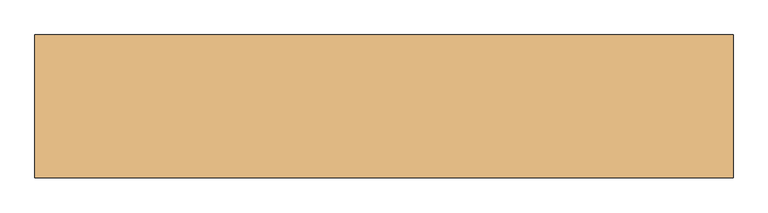
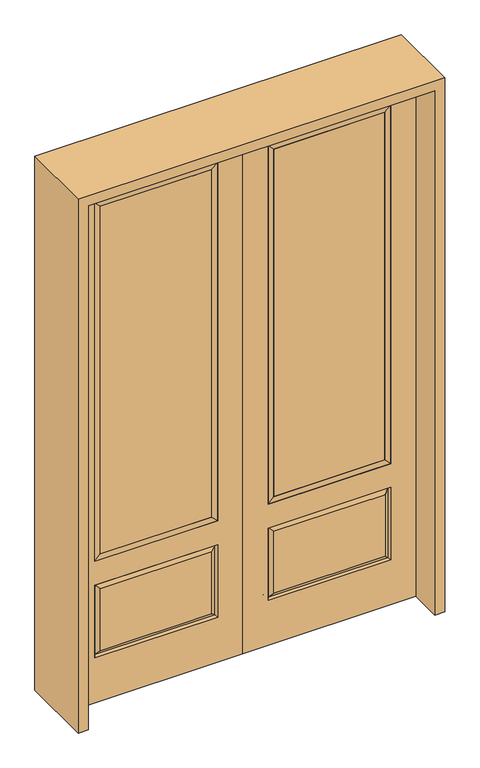
"""IFC4 building model written with IfcOpenShell, lengths in millimetres: door geometry."""

from ifc_helpers import new_model, si_unit, frame, origin, place, context, project, spatial, polyline, outline, extrude, faceted_brep, source, transform, mapped, element, save


def door_3a4ae3f8(model_context):
    return source(origin(), model_context, "Body", "SolidModel", [
        extrude(outline(polyline([(136.525, -20.32), (136.525, 5.08), (625.475, 5.08), (625.475, -20.32), (136.525, -20.32)])), frame((0.0, 0.0, 682.498), z_axis=(0.0, 0.0, 1.0), x_axis=(1.0, 0.0, 0.0)), (0.0, 0.0, 1.0), 1616.202),
        faceted_brep([(643.7661499, -12.7912373, 216.6588501), (626.26875, -22.225, 234.15625), (135.73125, -22.225, 234.15625), (118.2338501, -12.7912373, 216.6588501), (111.125, -22.225, 209.55), (650.875, -22.225, 209.55), (650.875, -22.225, 546.1), (643.7661499, -12.7912373, 538.9911499), (0.0, -22.225, 2438.4), (0.0, -22.225, 0.0), (762.0, -22.225, 0.0), (762.0, -22.225, 2438.4), (111.125, -22.225, 546.1), (111.125, -22.225, 2324.1), (650.875, -22.225, 2324.1), (650.875, -22.225, 657.098), (111.125, -22.225, 657.098), (626.26875, -22.225, 521.49375), (135.73125, -22.225, 521.49375), (118.2338501, -12.7912373, 538.9911499), (762.0, 22.225, 0.0), (762.0, 22.225, 2438.4), (0.0, 22.225, 0.0), (0.0, 22.225, 2438.4), (111.125, 22.225, 657.098), (111.125, 22.225, 2324.1), (650.875, 22.225, 657.098), (650.875, 22.225, 2324.1), (135.73125, 22.225, 234.15625), (135.73125, 22.225, 521.49375), (626.26875, 22.225, 521.49375), (626.26875, 22.225, 234.15625), (650.875, 22.225, 209.55), (650.875, 22.225, 546.1), (111.125, 22.225, 546.1), (111.125, 22.225, 209.55), (118.2338501, 12.7912373, 216.6588501), (643.7661499, 12.7912373, 216.6588501), (118.2338501, 12.7912373, 538.9911499), (643.7661499, 12.7912373, 538.9911499)], [[[0, 1, 2, 3]], [[3, 4, 5, 0]], [[5, 6, 7, 0]], [[8, 9, 10, 11], [4, 12, 6, 5], [13, 14, 15, 16]], [[1, 17, 18, 2]], [[3, 19, 12, 4]], [[2, 18, 19, 3]], [[0, 7, 17, 1]], [[6, 12, 19, 7]], [[7, 19, 18, 17]], [[10, 20, 21, 11]], [[9, 22, 20, 10]], [[8, 23, 22, 9]], [[16, 24, 25, 13]], [[15, 26, 24, 16]], [[14, 27, 26, 15]], [[28, 29, 30, 31]], [[23, 21, 20, 22], [25, 24, 26, 27], [32, 33, 34, 35]], [[32, 35, 36, 37]], [[35, 34, 38, 36]], [[39, 38, 34, 33]], [[37, 39, 33, 32]], [[36, 28, 31, 37]], [[31, 30, 39, 37]], [[30, 29, 38, 39]], [[36, 38, 29, 28]], [[11, 21, 23, 8]], [[13, 25, 27, 14]]]),
        faceted_brep([(650.875, -22.225, 2324.1), (650.875, -22.225, 657.098), (650.875, 22.225, 657.098), (650.875, 22.225, 2324.1), (111.125, -22.225, 657.098), (111.125, 22.225, 657.098), (136.525, 5.08, 682.498), (625.475, 5.08, 682.498), (111.125, -22.225, 2324.1), (111.125, 22.225, 2324.1), (625.475, -20.32, 682.498), (136.525, -20.32, 682.498), (625.475, -20.32, 2298.7), (136.525, -20.32, 2298.7), (625.475, 5.08, 2298.7), (136.525, 5.08, 2298.7)], [[[0, 1, 2, 3]], [[1, 4, 5, 2]], [[2, 5, 6, 7]], [[4, 8, 9, 5]], [[10, 11, 4, 1]], [[12, 10, 1, 0]], [[11, 13, 8, 4]], [[7, 6, 11, 10]], [[14, 7, 10, 12]], [[6, 15, 13, 11]], [[3, 2, 7, 14]], [[5, 9, 15, 6]], [[8, 0, 3, 9]], [[13, 12, 0, 8]], [[15, 14, 12, 13]], [[9, 3, 14, 15]]]),
        extrude(outline(polyline([(-136.525, -20.32), (-625.475, -20.32), (-625.475, 5.08), (-136.525, 5.08), (-136.525, -20.32)])), frame((0.0, 0.0, 682.498), z_axis=(0.0, 0.0, 1.0), x_axis=(1.0, 0.0, 0.0)), (0.0, 0.0, 1.0), 1616.202),
        faceted_brep([(-643.7661499, -12.7912373, 216.6588501), (-118.2338501, -12.7912373, 216.6588501), (-135.73125, -22.225, 234.15625), (-626.26875, -22.225, 234.15625), (-650.875, -22.225, 209.55), (-111.125, -22.225, 209.55), (-643.7661499, -12.7912373, 538.9911499), (-650.875, -22.225, 546.1), (-135.73125, -22.225, 521.49375), (-626.26875, -22.225, 521.49375), (0.0, -22.225, 2438.4), (-762.0, -22.225, 2438.4), (-762.0, -22.225, 0.0), (0.0, -22.225, 0.0), (-111.125, -22.225, 546.1), (-111.125, -22.225, 2324.1), (-111.125, -22.225, 657.098), (-650.875, -22.225, 657.098), (-650.875, -22.225, 2324.1), (-118.2338501, -12.7912373, 538.9911499), (-762.0, 22.225, 2438.4), (-762.0, 22.225, 0.0), (0.0, 22.225, 0.0), (0.0, 22.225, 2438.4), (-111.125, 22.225, 2324.1), (-111.125, 22.225, 657.098), (-650.875, 22.225, 657.098), (-650.875, 22.225, 2324.1), (-650.875, 22.225, 209.55), (-111.125, 22.225, 209.55), (-111.125, 22.225, 546.1), (-650.875, 22.225, 546.1), (-135.73125, 22.225, 234.15625), (-626.26875, 22.225, 234.15625), (-626.26875, 22.225, 521.49375), (-135.73125, 22.225, 521.49375), (-643.7661499, 12.7912373, 216.6588501), (-118.2338501, 12.7912373, 216.6588501), (-118.2338501, 12.7912373, 538.9911499), (-643.7661499, 12.7912373, 538.9911499)], [[[0, 1, 2, 3]], [[1, 0, 4, 5]], [[4, 0, 6, 7]], [[3, 2, 8, 9]], [[10, 11, 12, 13], [5, 4, 7, 14], [15, 16, 17, 18]], [[1, 5, 14, 19]], [[2, 1, 19, 8]], [[0, 3, 9, 6]], [[7, 6, 19, 14]], [[6, 9, 8, 19]], [[12, 11, 20, 21]], [[13, 12, 21, 22]], [[10, 13, 22, 23]], [[16, 15, 24, 25]], [[17, 16, 25, 26]], [[18, 17, 26, 27]], [[23, 22, 21, 20], [28, 29, 30, 31], [24, 27, 26, 25]], [[32, 33, 34, 35]], [[28, 36, 37, 29]], [[29, 37, 38, 30]], [[39, 31, 30, 38]], [[36, 28, 31, 39]], [[37, 36, 33, 32]], [[33, 36, 39, 34]], [[34, 39, 38, 35]], [[37, 32, 35, 38]], [[11, 10, 23, 20]], [[15, 18, 27, 24]]]),
        faceted_brep([(-650.875, -22.225, 2324.1), (-650.875, 22.225, 2324.1), (-650.875, 22.225, 657.098), (-650.875, -22.225, 657.098), (-111.125, 22.225, 657.098), (-111.125, -22.225, 657.098), (-625.475, 5.08, 682.498), (-136.525, 5.08, 682.498), (-111.125, 22.225, 2324.1), (-111.125, -22.225, 2324.1), (-625.475, -20.32, 682.498), (-136.525, -20.32, 682.498), (-625.475, -20.32, 2298.7), (-136.525, -20.32, 2298.7), (-625.475, 5.08, 2298.7), (-136.525, 5.08, 2298.7)], [[[0, 1, 2, 3]], [[3, 2, 4, 5]], [[2, 6, 7, 4]], [[5, 4, 8, 9]], [[10, 3, 5, 11]], [[12, 0, 3, 10]], [[11, 5, 9, 13]], [[6, 10, 11, 7]], [[14, 12, 10, 6]], [[7, 11, 13, 15]], [[1, 14, 6, 2]], [[4, 7, 15, 8]], [[9, 8, 1, 0]], [[13, 9, 0, 12]], [[15, 13, 12, 14]], [[8, 15, 14, 1]]]),
        extrude(outline(polyline([(2482.85, -806.45), (0.0, -806.45), (0.0, -762.0), (2438.4, -762.0), (2438.4, 762.0), (0.0, 762.0), (0.0, 806.45), (2482.85, 806.45), (2482.85, -806.45)])), frame((0.0, -165.1, 0.0), z_axis=(0.0, 1.0, 0.0), x_axis=(0.0, 0.0, 1.0)), (0.0, 0.0, 1.0), 330.2),
    ])


if __name__ == "__main__":
    model = new_model("IFC4")
    model_context = context("Model", 3, world=origin())
    ifc_project = project(units=[si_unit("LENGTHUNIT", "METRE", prefix="MILLI")], contexts=[model_context])
    site = spatial("IfcSite", under=ifc_project)
    building = spatial("IfcBuilding", under=site)
    placement = place(None, origin())
    door_shape = door_3a4ae3f8(model_context)
    element("IfcDoor", 1, at=placement, inside=building, context=model_context, shape_type="MappedRepresentation", body=[
        mapped(door_shape, transform((0.0, 0.0, 0.0), x_axis=(1.0, 0.0, 0.0), y_axis=(0.0, 1.0, 0.0), z_axis=(0.0, 0.0, 1.0))),
    ])
    save(model, "model.ifc")
